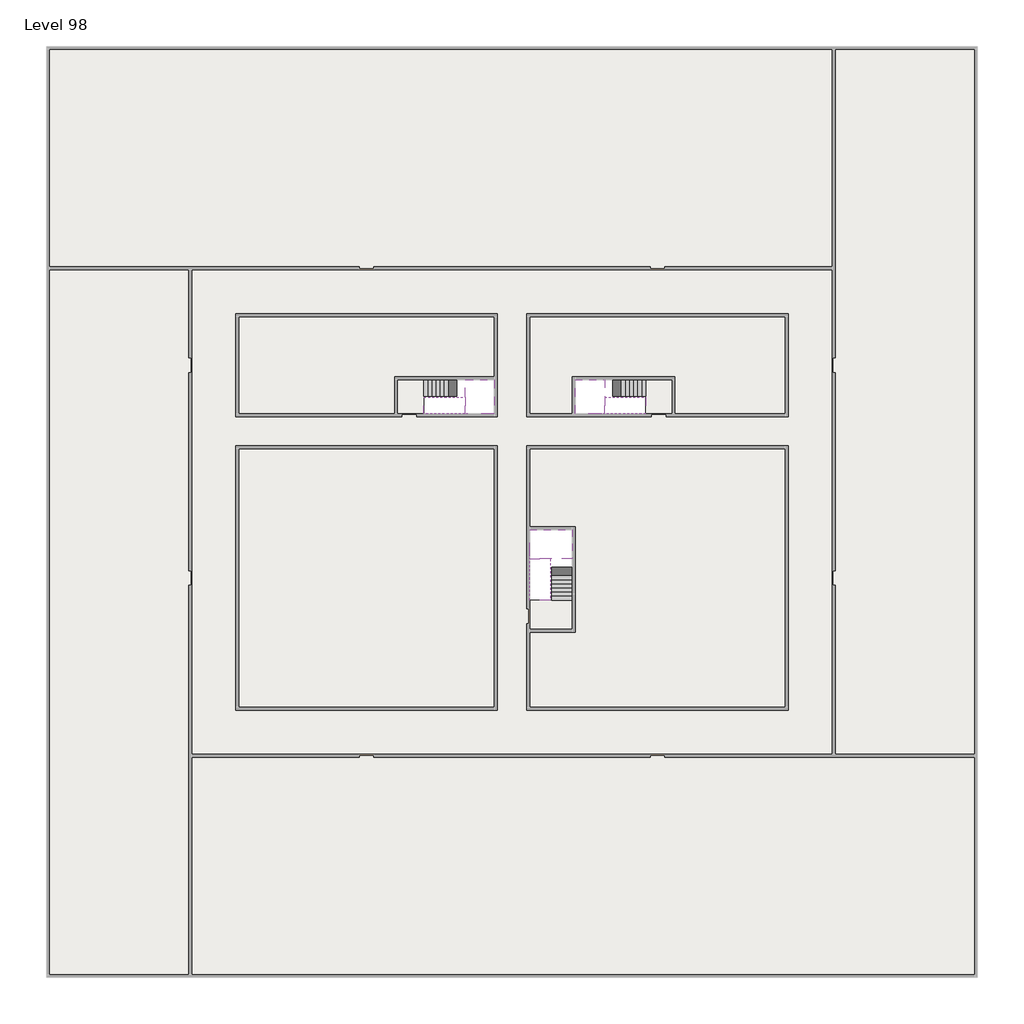
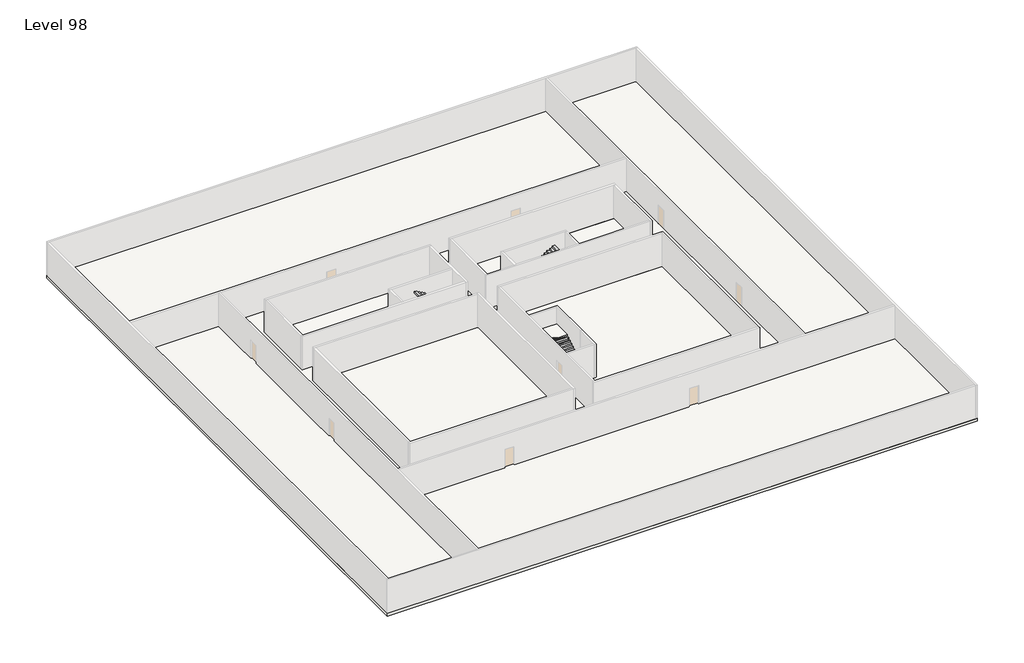
# One storey, part 2 of 2: 6 slabs, 6 stair flights.
"""IFC4 building model written with IfcOpenShell, lengths in millimetres."""

from ifc_helpers import new_model, si_unit, frame, origin, place, context, project, spatial, polyline, outline, extrude, faceted_brep, element, save

model = new_model("IFC4")

# Units and contexts
model_context = context("Model", 3, world=origin())
ifc_project = project(units=[si_unit("LENGTHUNIT", "METRE", prefix="MILLI")], contexts=[model_context])

# Site, building, storey
site = spatial("IfcSite", under=ifc_project)
building = spatial("IfcBuilding", under=site)
storey = spatial("IfcBuildingStorey", under=building, Name="Level 98", Elevation=368600.0)

# Slabs
placement = place(None, origin())
element("IfcSlab", 1, at=placement, inside=storey, context=model_context, shape_type="SweptSolid", body=[
    extrude(outline(polyline([(55890.1058784, -5518.09644), (55890.1058784, -68918.09644), (-7509.8941216, -68918.09644), (-7509.8941216, -5518.09644), (55890.1058784, -5518.09644)]), holes=[polyline([(22990.1058784, -23918.09644), (5590.1058784, -23918.09644), (5590.1058784, -30518.09644), (22990.1058784, -30518.09644), (22990.1058784, -23918.09644)]), polyline([(42990.1058784, -23918.09644), (25390.1058784, -23918.09644), (25390.1058784, -30518.09644), (42990.1058784, -30518.09644), (42990.1058784, -23918.09644)]), polyline([(25390.1058784, -50518.09644), (42790.1058784, -50518.09644), (42790.1058784, -32918.09644), (25390.1058784, -32918.09644), (25390.1058784, -50518.09644)]), polyline([(22990.1058784, -32918.09644), (5590.1058784, -32918.09644), (5590.1058784, -50518.09644), (22990.1058784, -50518.09644), (22990.1058784, -32918.09644)])]), frame((0.0, 0.0, 368300.0), z_axis=(0.0, 0.0, 1.0), x_axis=(1.0, 0.0, 0.0)), (0.0, 0.0, 1.0), 300.0),
])
element("IfcSlab", 2, at=placement, inside=storey, context=model_context, shape_type="SweptSolid", body=[
    extrude(outline(polyline([(22990.1058784, -23918.09644), (22990.1058784, -28018.09644), (16190.1058784, -28018.09644), (16190.1058784, -30518.09644), (5590.1058784, -30518.09644), (5590.1058784, -23918.09644), (22990.1058784, -23918.09644)])), frame((0.0, 0.0, 368300.0), z_axis=(0.0, 0.0, 1.0), x_axis=(1.0, 0.0, 0.0)), (0.0, 0.0, 1.0), 300.0),
    extrude(outline(polyline([(42790.1058784, -23918.09644), (42790.1058784, -30518.09644), (35290.1058784, -30518.09644), (35290.1058784, -28018.09644), (28490.1058784, -28018.09644), (28490.1058784, -30518.09644), (25390.1058784, -30518.09644), (25390.1058784, -23918.09644), (42790.1058784, -23918.09644)])), frame((0.0, 0.0, 368300.0), z_axis=(0.0, 0.0, 1.0), x_axis=(1.0, 0.0, 0.0)), (0.0, 0.0, 1.0), 300.0),
    extrude(outline(polyline([(22990.1058784, -32918.09644), (22990.1058784, -50518.09644), (5590.1058784, -50518.09644), (5590.1058784, -32918.09644), (22990.1058784, -32918.09644)])), frame((0.0, 0.0, 368300.0), z_axis=(0.0, 0.0, 1.0), x_axis=(1.0, 0.0, 0.0)), (0.0, 0.0, 1.0), 300.0),
    extrude(outline(polyline([(25390.1058784, -38218.09644), (25390.1058784, -32918.09644), (42790.1058784, -32918.09644), (42790.1058784, -50518.09644), (25390.1058784, -50518.09644), (25390.1058784, -45418.09644), (28490.1058784, -45418.09644), (28490.1058784, -38218.09644), (25390.1058784, -38218.09644)])), frame((0.0, 0.0, 368300.0), z_axis=(0.0, 0.0, 1.0), x_axis=(1.0, 0.0, 0.0)), (0.0, 0.0, 1.0), 300.0),
])
element("IfcSlab", 3, at=placement, inside=storey, context=model_context, shape_type="Brep", body=[
    faceted_brep([(26890.1058784, -40418.09644, 370500.0), (28290.1058784, -40418.09644, 370500.0), (28290.1058784, -40338.7100038, 370500.0), (28290.1058784, -38418.09644, 370500.0), (25390.1058784, -38418.09644, 370500.0), (25390.1058784, -40217.4828763, 370500.0), (25390.1058784, -40418.09644, 370500.0), (26790.1058784, -40418.09644, 370500.0), (26890.1058784, -40418.09644, 370200.0), (26890.1058784, -40418.09644, 370151.0278478), (28290.1058784, -40418.09644, 370151.0278478), (28290.1058784, -40418.09644, 370327.2727273), (28290.1058784, -40338.7100038, 370200.0), (28290.1058784, -38418.09644, 370200.0), (25390.1058784, -38418.09644, 370200.0), (25390.1058784, -40217.4828763, 370200.0), (25390.1058784, -40418.09644, 370323.7551205), (26790.1058784, -40418.09644, 370323.7551205), (26790.1058784, -40418.09644, 370200.0), (26790.1058784, -40217.4828763, 370200.0), (26890.1058784, -40338.7100038, 370200.0)], [[[0, 1, 2, 3, 4, 5, 6, 7]], [[1, 0, 8, 9, 10, 11]], [[1, 11, 10, 12, 13, 3, 2]], [[4, 3, 13, 14]], [[4, 14, 15, 16, 6, 5]], [[7, 6, 16, 17]], [[0, 7, 17, 18, 8]], [[18, 19, 15, 14, 13, 12, 20, 8]], [[19, 18, 17]], [[20, 12, 10, 9]], [[8, 20, 9]], [[15, 19, 17, 16]]]),
])
element("IfcSlab", 4, at=placement, inside=storey, context=model_context, shape_type="Brep", body=[
    faceted_brep([(20990.1058784, -28218.09644, 370500.0), (20990.1058784, -29318.09644, 370500.0), (20990.1058784, -29418.09644, 370500.0), (20990.1058784, -30518.09644, 370500.0), (21190.7194421, -30518.09644, 370500.0), (22990.1058784, -30518.09644, 370500.0), (22990.1058784, -28218.09644, 370500.0), (21069.4923146, -28218.09644, 370500.0), (20990.1058784, -28218.09644, 370327.2727273), (20990.1058784, -28218.09644, 370151.0278478), (20990.1058784, -29318.09644, 370151.0278478), (20990.1058784, -29318.09644, 370200.0), (20990.1058784, -29418.09644, 370200.0), (20990.1058784, -29418.09644, 370323.7551205), (20990.1058784, -30518.09644, 370323.7551205), (21190.7194421, -30518.09644, 370200.0), (22990.1058784, -30518.09644, 370200.0), (22990.1058784, -28218.09644, 370200.0), (21069.4923146, -28218.09644, 370200.0), (21190.7194421, -29418.09644, 370200.0), (21069.4923146, -29318.09644, 370200.0)], [[[0, 1, 2, 3, 4, 5, 6, 7]], [[1, 0, 8, 9, 10, 11]], [[2, 1, 11, 12, 13]], [[3, 2, 13, 14]], [[3, 14, 15, 16, 5, 4]], [[6, 5, 16, 17]], [[9, 8, 0, 7, 6, 17, 18]], [[19, 12, 11, 20, 18, 17, 16, 15]], [[12, 19, 13]], [[18, 20, 10, 9]], [[20, 11, 10]], [[19, 15, 14, 13]]]),
])
element("IfcSlab", 5, at=placement, inside=storey, context=model_context, shape_type="Brep", body=[
    faceted_brep([(30490.1058784, -29318.09644, 370500.0), (30490.1058784, -28218.09644, 370500.0), (30410.7194421, -28218.09644, 370500.0), (28490.1058784, -28218.09644, 370500.0), (28490.1058784, -30518.09644, 370500.0), (30289.4923146, -30518.09644, 370500.0), (30490.1058784, -30518.09644, 370500.0), (30490.1058784, -29418.09644, 370500.0), (30490.1058784, -29318.09644, 370200.0), (30490.1058784, -29318.09644, 370151.0278478), (30490.1058784, -28218.09644, 370151.0278478), (30490.1058784, -28218.09644, 370327.2727273), (30490.1058784, -29418.09644, 370323.7551205), (30490.1058784, -29418.09644, 370200.0), (30490.1058784, -30518.09644, 370323.7551205), (28490.1058784, -30518.09644, 370200.0), (30289.4923146, -30518.09644, 370200.0), (28490.1058784, -28218.09644, 370200.0), (30410.7194421, -28218.09644, 370200.0), (30289.4923146, -29418.09644, 370200.0), (30410.7194421, -29318.09644, 370200.0)], [[[0, 1, 2, 3, 4, 5, 6, 7]], [[1, 0, 8, 9, 10, 11]], [[0, 7, 12, 13, 8]], [[7, 6, 14, 12]], [[4, 15, 16, 14, 6, 5]], [[4, 3, 17, 15]], [[1, 11, 10, 18, 17, 3, 2]], [[13, 19, 16, 15, 17, 18, 20, 8]], [[20, 18, 10, 9]], [[8, 20, 9]], [[16, 19, 12, 14]], [[19, 13, 12]]]),
])
element("IfcSlab", 6, at=placement, inside=storey, context=model_context, shape_type="SweptSolid", body=[
    extrude(outline(polyline([(35090.1058784, -28218.09644), (35090.1058784, -30518.09644), (33290.1058784, -30518.09644), (33290.1058784, -28218.09644), (35090.1058784, -28218.09644)])), frame((0.0, 0.0, 368300.0), z_axis=(0.0, 0.0, 1.0), x_axis=(1.0, 0.0, 0.0)), (0.0, 0.0, 1.0), 300.0),
    extrude(outline(polyline([(18190.1058784, -28218.09644), (18190.1058784, -30518.09644), (16390.1058784, -30518.09644), (16390.1058784, -28218.09644), (18190.1058784, -28218.09644)])), frame((0.0, 0.0, 368300.0), z_axis=(0.0, 0.0, 1.0), x_axis=(1.0, 0.0, 0.0)), (0.0, 0.0, 1.0), 300.0),
    extrude(outline(polyline([(28290.1058784, -43218.09644), (28290.1058784, -45218.09644), (25390.1058784, -45218.09644), (25390.1058784, -43218.09644), (28290.1058784, -43218.09644)])), frame((0.0, 0.0, 368300.0), z_axis=(0.0, 0.0, 1.0), x_axis=(1.0, 0.0, 0.0)), (0.0, 0.0, 1.0), 300.0),
])

# Stair flights
element("IfcStairFlight", 7, at=placement, inside=storey, context=model_context, shape_type="Brep", body=[
    faceted_brep([(26890.1058784, -42938.09644, 368772.7272727), (26890.1058784, -43218.09644, 368772.7272727), (28290.1058784, -43218.09644, 368772.7272727), (28290.1058784, -42938.09644, 368772.7272727), (26890.1058784, -42938.09644, 368600.0), (26890.1058784, -43218.09644, 368600.0), (28290.1058784, -43218.09644, 368600.0), (28290.1058784, -42938.09644, 368600.0), (26890.1058784, -42658.09644, 368945.4545455), (26890.1058784, -42938.09644, 368945.4545455), (28290.1058784, -42938.09644, 368945.4545455), (28290.1058784, -42658.09644, 368945.4545455), (26890.1058784, -42658.09644, 368769.209666), (26890.1058784, -42932.3942143, 368600.0), (28290.1058784, -42932.3942143, 368600.0), (28290.1058784, -42658.09644, 368769.209666), (26890.1058784, -42378.09644, 369118.1818182), (26890.1058784, -42658.09644, 369118.1818182), (28290.1058784, -42658.09644, 369118.1818182), (28290.1058784, -42378.09644, 369118.1818182), (26890.1058784, -42378.09644, 368941.9369387), (28290.1058784, -42378.09644, 368941.9369387), (26890.1058784, -42098.09644, 369290.9090909), (26890.1058784, -42378.09644, 369290.9090909), (28290.1058784, -42378.09644, 369290.9090909), (28290.1058784, -42098.09644, 369290.9090909), (26890.1058784, -42098.09644, 369114.6642114), (28290.1058784, -42098.09644, 369114.6642114), (26890.1058784, -41818.09644, 369463.6363636), (26890.1058784, -42098.09644, 369463.6363636), (28290.1058784, -42098.09644, 369463.6363636), (28290.1058784, -41818.09644, 369463.6363636), (26890.1058784, -41818.09644, 369287.3914841), (28290.1058784, -41818.09644, 369287.3914841), (26890.1058784, -41538.09644, 369636.3636364), (26890.1058784, -41818.09644, 369636.3636364), (28290.1058784, -41818.09644, 369636.3636364), (28290.1058784, -41538.09644, 369636.3636364), (26890.1058784, -41538.09644, 369460.1187569), (28290.1058784, -41538.09644, 369460.1187569), (26890.1058784, -41258.09644, 369809.0909091), (26890.1058784, -41538.09644, 369809.0909091), (28290.1058784, -41538.09644, 369809.0909091), (28290.1058784, -41258.09644, 369809.0909091), (26890.1058784, -41258.09644, 369632.8460296), (28290.1058784, -41258.09644, 369632.8460296), (26890.1058784, -40978.09644, 369981.8181818), (26890.1058784, -41258.09644, 369981.8181818), (28290.1058784, -41258.09644, 369981.8181818), (28290.1058784, -40978.09644, 369981.8181818), (26890.1058784, -40978.09644, 369805.5733023), (28290.1058784, -40978.09644, 369805.5733023), (26890.1058784, -40698.09644, 370154.5454545), (26890.1058784, -40978.09644, 370154.5454545), (28290.1058784, -40978.09644, 370154.5454545), (28290.1058784, -40698.09644, 370154.5454545), (26890.1058784, -40698.09644, 369978.3005751), (28290.1058784, -40698.09644, 369978.3005751), (26890.1058784, -40418.09644, 370327.2727273), (26890.1058784, -40698.09644, 370327.2727273), (28290.1058784, -40698.09644, 370327.2727273), (28290.1058784, -40418.09644, 370327.2727273), (26890.1058784, -40418.09644, 370200.0), (26890.1058784, -40418.09644, 370151.0278478), (28290.1058784, -40418.09644, 370151.0278478)], [[[0, 1, 2, 3]], [[1, 0, 4, 5]], [[2, 1, 5, 6]], [[3, 2, 6, 7]], [[8, 9, 10, 11]], [[4, 0, 9, 8, 12, 13]], [[0, 3, 10, 9]], [[3, 7, 14, 15, 11, 10]], [[16, 17, 18, 19]], [[17, 16, 20, 12, 8]], [[8, 11, 18, 17]], [[19, 18, 11, 15, 21]], [[22, 23, 24, 25]], [[23, 22, 26, 20, 16]], [[16, 19, 24, 23]], [[25, 24, 19, 21, 27]], [[28, 29, 30, 31]], [[29, 28, 32, 26, 22]], [[22, 25, 30, 29]], [[31, 30, 25, 27, 33]], [[34, 35, 36, 37]], [[35, 34, 38, 32, 28]], [[28, 31, 36, 35]], [[37, 36, 31, 33, 39]], [[40, 41, 42, 43]], [[41, 40, 44, 38, 34]], [[34, 37, 42, 41]], [[43, 42, 37, 39, 45]], [[46, 47, 48, 49]], [[47, 46, 50, 44, 40]], [[40, 43, 48, 47]], [[49, 48, 43, 45, 51]], [[52, 53, 54, 55]], [[53, 52, 56, 50, 46]], [[46, 49, 54, 53]], [[55, 54, 49, 51, 57]], [[58, 59, 60, 61]], [[59, 58, 62, 63, 56, 52]], [[52, 55, 60, 59]], [[61, 60, 55, 57, 64]], [[58, 61, 64, 63, 62]], [[5, 4, 13, 14, 7, 6]], [[14, 13, 12, 20, 26, 32, 38, 44, 50, 56, 63, 64, 57, 51, 45, 39, 33, 27, 21, 15]]]),
])
element("IfcStairFlight", 8, at=placement, inside=storey, context=model_context, shape_type="Brep", body=[
    faceted_brep([(26790.1058784, -40698.09644, 370672.7272727), (26790.1058784, -40418.09644, 370672.7272727), (25390.1058784, -40418.09644, 370672.7272727), (25390.1058784, -40698.09644, 370672.7272727), (26790.1058784, -40698.09644, 370496.4823932), (26790.1058784, -40418.09644, 370323.7551205), (25390.1058784, -40418.09644, 370323.7551205), (25390.1058784, -40418.09644, 370500.0), (25390.1058784, -40698.09644, 370496.4823932), (26790.1058784, -40978.09644, 370845.4545455), (26790.1058784, -40698.09644, 370845.4545455), (25390.1058784, -40698.09644, 370845.4545455), (25390.1058784, -40978.09644, 370845.4545455), (26790.1058784, -40978.09644, 370669.209666), (25390.1058784, -40978.09644, 370669.209666), (26790.1058784, -41258.09644, 371018.1818182), (26790.1058784, -40978.09644, 371018.1818182), (25390.1058784, -40978.09644, 371018.1818182), (25390.1058784, -41258.09644, 371018.1818182), (26790.1058784, -41258.09644, 370841.9369387), (25390.1058784, -41258.09644, 370841.9369387), (26790.1058784, -41538.09644, 371190.9090909), (26790.1058784, -41258.09644, 371190.9090909), (25390.1058784, -41258.09644, 371190.9090909), (25390.1058784, -41538.09644, 371190.9090909), (26790.1058784, -41538.09644, 371014.6642114), (25390.1058784, -41538.09644, 371014.6642114), (26790.1058784, -41818.09644, 371363.6363636), (26790.1058784, -41538.09644, 371363.6363636), (25390.1058784, -41538.09644, 371363.6363636), (25390.1058784, -41818.09644, 371363.6363636), (26790.1058784, -41818.09644, 371187.3914841), (25390.1058784, -41818.09644, 371187.3914841), (26790.1058784, -42098.09644, 371536.3636364), (26790.1058784, -41818.09644, 371536.3636364), (25390.1058784, -41818.09644, 371536.3636364), (25390.1058784, -42098.09644, 371536.3636364), (26790.1058784, -42098.09644, 371360.1187569), (25390.1058784, -42098.09644, 371360.1187569), (26790.1058784, -42378.09644, 371709.0909091), (26790.1058784, -42098.09644, 371709.0909091), (25390.1058784, -42098.09644, 371709.0909091), (25390.1058784, -42378.09644, 371709.0909091), (26790.1058784, -42378.09644, 371532.8460296), (25390.1058784, -42378.09644, 371532.8460296), (26790.1058784, -42658.09644, 371881.8181818), (26790.1058784, -42378.09644, 371881.8181818), (25390.1058784, -42378.09644, 371881.8181818), (25390.1058784, -42658.09644, 371881.8181818), (26790.1058784, -42658.09644, 371705.5733023), (25390.1058784, -42658.09644, 371705.5733023), (26790.1058784, -42938.09644, 372054.5454545), (26790.1058784, -42658.09644, 372054.5454545), (25390.1058784, -42658.09644, 372054.5454545), (25390.1058784, -42938.09644, 372054.5454545), (26790.1058784, -42938.09644, 371878.3005751), (25390.1058784, -42938.09644, 371878.3005751), (26790.1058784, -43218.09644, 372227.2727273), (26790.1058784, -42938.09644, 372227.2727273), (25390.1058784, -42938.09644, 372227.2727273), (25390.1058784, -43218.09644, 372227.2727273), (26790.1058784, -43218.09644, 372051.0278478), (25390.1058784, -43218.09644, 372051.0278478)], [[[0, 1, 2, 3]], [[1, 0, 4, 5]], [[2, 1, 5, 6, 7]], [[3, 2, 7, 6, 8]], [[9, 10, 11, 12]], [[10, 9, 13, 4, 0]], [[11, 10, 0, 3]], [[12, 11, 3, 8, 14]], [[15, 16, 17, 18]], [[16, 15, 19, 13, 9]], [[17, 16, 9, 12]], [[18, 17, 12, 14, 20]], [[21, 22, 23, 24]], [[22, 21, 25, 19, 15]], [[23, 22, 15, 18]], [[24, 23, 18, 20, 26]], [[27, 28, 29, 30]], [[28, 27, 31, 25, 21]], [[29, 28, 21, 24]], [[30, 29, 24, 26, 32]], [[33, 34, 35, 36]], [[34, 33, 37, 31, 27]], [[35, 34, 27, 30]], [[36, 35, 30, 32, 38]], [[39, 40, 41, 42]], [[40, 39, 43, 37, 33]], [[41, 40, 33, 36]], [[42, 41, 36, 38, 44]], [[45, 46, 47, 48]], [[46, 45, 49, 43, 39]], [[47, 46, 39, 42]], [[48, 47, 42, 44, 50]], [[51, 52, 53, 54]], [[52, 51, 55, 49, 45]], [[53, 52, 45, 48]], [[54, 53, 48, 50, 56]], [[57, 58, 59, 60]], [[58, 57, 61, 55, 51]], [[59, 58, 51, 54]], [[60, 59, 54, 56, 62]], [[57, 60, 62, 61]], [[5, 4, 13, 19, 25, 31, 37, 43, 49, 55, 61, 62, 56, 50, 44, 38, 32, 26, 20, 14, 8, 6]]]),
])
element("IfcStairFlight", 9, at=placement, inside=storey, context=model_context, shape_type="Brep", body=[
    faceted_brep([(18470.1058784, -28218.09644, 368772.7272727), (18190.1058784, -28218.09644, 368772.7272727), (18190.1058784, -29318.09644, 368772.7272727), (18470.1058784, -29318.09644, 368772.7272727), (18470.1058784, -28218.09644, 368600.0), (18190.1058784, -28218.09644, 368600.0), (18190.1058784, -29318.09644, 368600.0), (18470.1058784, -29318.09644, 368600.0), (18750.1058784, -28218.09644, 368945.4545455), (18470.1058784, -28218.09644, 368945.4545455), (18470.1058784, -29318.09644, 368945.4545455), (18750.1058784, -29318.09644, 368945.4545455), (18750.1058784, -28218.09644, 368769.209666), (18475.8081041, -28218.09644, 368600.0), (18475.8081041, -29318.09644, 368600.0), (18750.1058784, -29318.09644, 368769.209666), (19030.1058784, -28218.09644, 369118.1818182), (18750.1058784, -28218.09644, 369118.1818182), (18750.1058784, -29318.09644, 369118.1818182), (19030.1058784, -29318.09644, 369118.1818182), (19030.1058784, -28218.09644, 368941.9369387), (19030.1058784, -29318.09644, 368941.9369387), (19310.1058784, -28218.09644, 369290.9090909), (19030.1058784, -28218.09644, 369290.9090909), (19030.1058784, -29318.09644, 369290.9090909), (19310.1058784, -29318.09644, 369290.9090909), (19310.1058784, -28218.09644, 369114.6642114), (19310.1058784, -29318.09644, 369114.6642114), (19590.1058784, -28218.09644, 369463.6363636), (19310.1058784, -28218.09644, 369463.6363636), (19310.1058784, -29318.09644, 369463.6363636), (19590.1058784, -29318.09644, 369463.6363636), (19590.1058784, -28218.09644, 369287.3914841), (19590.1058784, -29318.09644, 369287.3914841), (19870.1058784, -28218.09644, 369636.3636364), (19590.1058784, -28218.09644, 369636.3636364), (19590.1058784, -29318.09644, 369636.3636364), (19870.1058784, -29318.09644, 369636.3636364), (19870.1058784, -28218.09644, 369460.1187569), (19870.1058784, -29318.09644, 369460.1187569), (20150.1058784, -28218.09644, 369809.0909091), (19870.1058784, -28218.09644, 369809.0909091), (19870.1058784, -29318.09644, 369809.0909091), (20150.1058784, -29318.09644, 369809.0909091), (20150.1058784, -28218.09644, 369632.8460296), (20150.1058784, -29318.09644, 369632.8460296), (20430.1058784, -28218.09644, 369981.8181818), (20150.1058784, -28218.09644, 369981.8181818), (20150.1058784, -29318.09644, 369981.8181818), (20430.1058784, -29318.09644, 369981.8181818), (20430.1058784, -28218.09644, 369805.5733023), (20430.1058784, -29318.09644, 369805.5733023), (20710.1058784, -28218.09644, 370154.5454545), (20430.1058784, -28218.09644, 370154.5454545), (20430.1058784, -29318.09644, 370154.5454545), (20710.1058784, -29318.09644, 370154.5454545), (20710.1058784, -28218.09644, 369978.3005751), (20710.1058784, -29318.09644, 369978.3005751), (20990.1058784, -28218.09644, 370327.2727273), (20710.1058784, -28218.09644, 370327.2727273), (20710.1058784, -29318.09644, 370327.2727273), (20990.1058784, -29318.09644, 370327.2727273), (20990.1058784, -28218.09644, 370151.0278478), (20990.1058784, -29318.09644, 370151.0278478), (20990.1058784, -29318.09644, 370200.0)], [[[0, 1, 2, 3]], [[1, 0, 4, 5]], [[2, 1, 5, 6]], [[3, 2, 6, 7]], [[8, 9, 10, 11]], [[4, 0, 9, 8, 12, 13]], [[0, 3, 10, 9]], [[3, 7, 14, 15, 11, 10]], [[16, 17, 18, 19]], [[17, 16, 20, 12, 8]], [[8, 11, 18, 17]], [[19, 18, 11, 15, 21]], [[22, 23, 24, 25]], [[23, 22, 26, 20, 16]], [[16, 19, 24, 23]], [[25, 24, 19, 21, 27]], [[28, 29, 30, 31]], [[29, 28, 32, 26, 22]], [[22, 25, 30, 29]], [[31, 30, 25, 27, 33]], [[34, 35, 36, 37]], [[35, 34, 38, 32, 28]], [[28, 31, 36, 35]], [[37, 36, 31, 33, 39]], [[40, 41, 42, 43]], [[41, 40, 44, 38, 34]], [[34, 37, 42, 41]], [[43, 42, 37, 39, 45]], [[46, 47, 48, 49]], [[47, 46, 50, 44, 40]], [[40, 43, 48, 47]], [[49, 48, 43, 45, 51]], [[52, 53, 54, 55]], [[53, 52, 56, 50, 46]], [[46, 49, 54, 53]], [[55, 54, 49, 51, 57]], [[58, 59, 60, 61]], [[59, 58, 62, 56, 52]], [[52, 55, 60, 59]], [[61, 60, 55, 57, 63, 64]], [[58, 61, 64, 63, 62]], [[5, 4, 13, 14, 7, 6]], [[14, 13, 12, 20, 26, 32, 38, 44, 50, 56, 62, 63, 57, 51, 45, 39, 33, 27, 21, 15]]]),
])
element("IfcStairFlight", 10, at=placement, inside=storey, context=model_context, shape_type="Brep", body=[
    faceted_brep([(20710.1058784, -30518.09644, 370672.7272727), (20990.1058784, -30518.09644, 370672.7272727), (20990.1058784, -29418.09644, 370672.7272727), (20710.1058784, -29418.09644, 370672.7272727), (20710.1058784, -30518.09644, 370496.4823932), (20990.1058784, -30518.09644, 370323.7551205), (20990.1058784, -30518.09644, 370500.0), (20990.1058784, -29418.09644, 370323.7551205), (20710.1058784, -29418.09644, 370496.4823932), (20430.1058784, -30518.09644, 370845.4545455), (20710.1058784, -30518.09644, 370845.4545455), (20710.1058784, -29418.09644, 370845.4545455), (20430.1058784, -29418.09644, 370845.4545455), (20430.1058784, -30518.09644, 370669.209666), (20430.1058784, -29418.09644, 370669.209666), (20150.1058784, -30518.09644, 371018.1818182), (20430.1058784, -30518.09644, 371018.1818182), (20430.1058784, -29418.09644, 371018.1818182), (20150.1058784, -29418.09644, 371018.1818182), (20150.1058784, -30518.09644, 370841.9369387), (20150.1058784, -29418.09644, 370841.9369387), (19870.1058784, -30518.09644, 371190.9090909), (20150.1058784, -30518.09644, 371190.9090909), (20150.1058784, -29418.09644, 371190.9090909), (19870.1058784, -29418.09644, 371190.9090909), (19870.1058784, -30518.09644, 371014.6642114), (19870.1058784, -29418.09644, 371014.6642114), (19590.1058784, -30518.09644, 371363.6363636), (19870.1058784, -30518.09644, 371363.6363636), (19870.1058784, -29418.09644, 371363.6363636), (19590.1058784, -29418.09644, 371363.6363636), (19590.1058784, -30518.09644, 371187.3914841), (19590.1058784, -29418.09644, 371187.3914841), (19310.1058784, -30518.09644, 371536.3636364), (19590.1058784, -30518.09644, 371536.3636364), (19590.1058784, -29418.09644, 371536.3636364), (19310.1058784, -29418.09644, 371536.3636364), (19310.1058784, -30518.09644, 371360.1187569), (19310.1058784, -29418.09644, 371360.1187569), (19030.1058784, -30518.09644, 371709.0909091), (19310.1058784, -30518.09644, 371709.0909091), (19310.1058784, -29418.09644, 371709.0909091), (19030.1058784, -29418.09644, 371709.0909091), (19030.1058784, -30518.09644, 371532.8460296), (19030.1058784, -29418.09644, 371532.8460296), (18750.1058784, -30518.09644, 371881.8181818), (19030.1058784, -30518.09644, 371881.8181818), (19030.1058784, -29418.09644, 371881.8181818), (18750.1058784, -29418.09644, 371881.8181818), (18750.1058784, -30518.09644, 371705.5733023), (18750.1058784, -29418.09644, 371705.5733023), (18470.1058784, -30518.09644, 372054.5454545), (18750.1058784, -30518.09644, 372054.5454545), (18750.1058784, -29418.09644, 372054.5454545), (18470.1058784, -29418.09644, 372054.5454545), (18470.1058784, -30518.09644, 371878.3005751), (18470.1058784, -29418.09644, 371878.3005751), (18190.1058784, -30518.09644, 372227.2727273), (18470.1058784, -30518.09644, 372227.2727273), (18470.1058784, -29418.09644, 372227.2727273), (18190.1058784, -29418.09644, 372227.2727273), (18190.1058784, -30518.09644, 372051.0278478), (18190.1058784, -29418.09644, 372051.0278478)], [[[0, 1, 2, 3]], [[1, 0, 4, 5, 6]], [[2, 1, 6, 5, 7]], [[3, 2, 7, 8]], [[9, 10, 11, 12]], [[10, 9, 13, 4, 0]], [[11, 10, 0, 3]], [[12, 11, 3, 8, 14]], [[15, 16, 17, 18]], [[16, 15, 19, 13, 9]], [[17, 16, 9, 12]], [[18, 17, 12, 14, 20]], [[21, 22, 23, 24]], [[22, 21, 25, 19, 15]], [[23, 22, 15, 18]], [[24, 23, 18, 20, 26]], [[27, 28, 29, 30]], [[28, 27, 31, 25, 21]], [[29, 28, 21, 24]], [[30, 29, 24, 26, 32]], [[33, 34, 35, 36]], [[34, 33, 37, 31, 27]], [[35, 34, 27, 30]], [[36, 35, 30, 32, 38]], [[39, 40, 41, 42]], [[40, 39, 43, 37, 33]], [[41, 40, 33, 36]], [[42, 41, 36, 38, 44]], [[45, 46, 47, 48]], [[46, 45, 49, 43, 39]], [[47, 46, 39, 42]], [[48, 47, 42, 44, 50]], [[51, 52, 53, 54]], [[52, 51, 55, 49, 45]], [[53, 52, 45, 48]], [[54, 53, 48, 50, 56]], [[57, 58, 59, 60]], [[58, 57, 61, 55, 51]], [[59, 58, 51, 54]], [[60, 59, 54, 56, 62]], [[57, 60, 62, 61]], [[5, 4, 13, 19, 25, 31, 37, 43, 49, 55, 61, 62, 56, 50, 44, 38, 32, 26, 20, 14, 8, 7]]]),
])
element("IfcStairFlight", 11, at=placement, inside=storey, context=model_context, shape_type="Brep", body=[
    faceted_brep([(33010.1058784, -29318.09644, 368772.7272727), (33290.1058784, -29318.09644, 368772.7272727), (33290.1058784, -28218.09644, 368772.7272727), (33010.1058784, -28218.09644, 368772.7272727), (33290.1058784, -28218.09644, 368600.0), (33010.1058784, -28218.09644, 368600.0), (33290.1058784, -29318.09644, 368600.0), (33010.1058784, -29318.09644, 368600.0), (32730.1058784, -29318.09644, 368945.4545455), (33010.1058784, -29318.09644, 368945.4545455), (33010.1058784, -28218.09644, 368945.4545455), (32730.1058784, -28218.09644, 368945.4545455), (33004.4036527, -28218.09644, 368600.0), (32730.1058784, -28218.09644, 368769.209666), (32730.1058784, -29318.09644, 368769.209666), (33004.4036527, -29318.09644, 368600.0), (32450.1058784, -29318.09644, 369118.1818182), (32730.1058784, -29318.09644, 369118.1818182), (32730.1058784, -28218.09644, 369118.1818182), (32450.1058784, -28218.09644, 369118.1818182), (32450.1058784, -28218.09644, 368941.9369387), (32450.1058784, -29318.09644, 368941.9369387), (32170.1058784, -29318.09644, 369290.9090909), (32450.1058784, -29318.09644, 369290.9090909), (32450.1058784, -28218.09644, 369290.9090909), (32170.1058784, -28218.09644, 369290.9090909), (32170.1058784, -28218.09644, 369114.6642114), (32170.1058784, -29318.09644, 369114.6642114), (31890.1058784, -29318.09644, 369463.6363636), (32170.1058784, -29318.09644, 369463.6363636), (32170.1058784, -28218.09644, 369463.6363636), (31890.1058784, -28218.09644, 369463.6363636), (31890.1058784, -28218.09644, 369287.3914841), (31890.1058784, -29318.09644, 369287.3914841), (31610.1058784, -29318.09644, 369636.3636364), (31890.1058784, -29318.09644, 369636.3636364), (31890.1058784, -28218.09644, 369636.3636364), (31610.1058784, -28218.09644, 369636.3636364), (31610.1058784, -28218.09644, 369460.1187569), (31610.1058784, -29318.09644, 369460.1187569), (31330.1058784, -29318.09644, 369809.0909091), (31610.1058784, -29318.09644, 369809.0909091), (31610.1058784, -28218.09644, 369809.0909091), (31330.1058784, -28218.09644, 369809.0909091), (31330.1058784, -28218.09644, 369632.8460296), (31330.1058784, -29318.09644, 369632.8460296), (31050.1058784, -29318.09644, 369981.8181818), (31330.1058784, -29318.09644, 369981.8181818), (31330.1058784, -28218.09644, 369981.8181818), (31050.1058784, -28218.09644, 369981.8181818), (31050.1058784, -28218.09644, 369805.5733023), (31050.1058784, -29318.09644, 369805.5733023), (30770.1058784, -29318.09644, 370154.5454545), (31050.1058784, -29318.09644, 370154.5454545), (31050.1058784, -28218.09644, 370154.5454545), (30770.1058784, -28218.09644, 370154.5454545), (30770.1058784, -28218.09644, 369978.3005751), (30770.1058784, -29318.09644, 369978.3005751), (30490.1058784, -29318.09644, 370327.2727273), (30770.1058784, -29318.09644, 370327.2727273), (30770.1058784, -28218.09644, 370327.2727273), (30490.1058784, -28218.09644, 370327.2727273), (30490.1058784, -28218.09644, 370151.0278478), (30490.1058784, -29318.09644, 370200.0), (30490.1058784, -29318.09644, 370151.0278478)], [[[0, 1, 2, 3]], [[3, 2, 4, 5]], [[2, 1, 6, 4]], [[1, 0, 7, 6]], [[8, 9, 10, 11]], [[3, 5, 12, 13, 11, 10]], [[0, 3, 10, 9]], [[7, 0, 9, 8, 14, 15]], [[16, 17, 18, 19]], [[19, 18, 11, 13, 20]], [[8, 11, 18, 17]], [[17, 16, 21, 14, 8]], [[22, 23, 24, 25]], [[25, 24, 19, 20, 26]], [[16, 19, 24, 23]], [[23, 22, 27, 21, 16]], [[28, 29, 30, 31]], [[31, 30, 25, 26, 32]], [[22, 25, 30, 29]], [[29, 28, 33, 27, 22]], [[34, 35, 36, 37]], [[37, 36, 31, 32, 38]], [[28, 31, 36, 35]], [[35, 34, 39, 33, 28]], [[40, 41, 42, 43]], [[43, 42, 37, 38, 44]], [[34, 37, 42, 41]], [[41, 40, 45, 39, 34]], [[46, 47, 48, 49]], [[49, 48, 43, 44, 50]], [[40, 43, 48, 47]], [[47, 46, 51, 45, 40]], [[52, 53, 54, 55]], [[55, 54, 49, 50, 56]], [[46, 49, 54, 53]], [[53, 52, 57, 51, 46]], [[58, 59, 60, 61]], [[61, 60, 55, 56, 62]], [[52, 55, 60, 59]], [[59, 58, 63, 64, 57, 52]], [[58, 61, 62, 64, 63]], [[6, 7, 15, 12, 5, 4]], [[12, 15, 14, 21, 27, 33, 39, 45, 51, 57, 64, 62, 56, 50, 44, 38, 32, 26, 20, 13]]]),
])
element("IfcStairFlight", 12, at=placement, inside=storey, context=model_context, shape_type="Brep", body=[
    faceted_brep([(30770.1058784, -29418.09644, 370672.7272727), (30490.1058784, -29418.09644, 370672.7272727), (30490.1058784, -30518.09644, 370672.7272727), (30770.1058784, -30518.09644, 370672.7272727), (30490.1058784, -30518.09644, 370500.0), (30490.1058784, -30518.09644, 370323.7551205), (30770.1058784, -30518.09644, 370496.4823932), (30490.1058784, -29418.09644, 370323.7551205), (30770.1058784, -29418.09644, 370496.4823932), (31050.1058784, -29418.09644, 370845.4545455), (30770.1058784, -29418.09644, 370845.4545455), (30770.1058784, -30518.09644, 370845.4545455), (31050.1058784, -30518.09644, 370845.4545455), (31050.1058784, -30518.09644, 370669.209666), (31050.1058784, -29418.09644, 370669.209666), (31330.1058784, -29418.09644, 371018.1818182), (31050.1058784, -29418.09644, 371018.1818182), (31050.1058784, -30518.09644, 371018.1818182), (31330.1058784, -30518.09644, 371018.1818182), (31330.1058784, -30518.09644, 370841.9369387), (31330.1058784, -29418.09644, 370841.9369387), (31610.1058784, -29418.09644, 371190.9090909), (31330.1058784, -29418.09644, 371190.9090909), (31330.1058784, -30518.09644, 371190.9090909), (31610.1058784, -30518.09644, 371190.9090909), (31610.1058784, -30518.09644, 371014.6642114), (31610.1058784, -29418.09644, 371014.6642114), (31890.1058784, -29418.09644, 371363.6363636), (31610.1058784, -29418.09644, 371363.6363636), (31610.1058784, -30518.09644, 371363.6363636), (31890.1058784, -30518.09644, 371363.6363636), (31890.1058784, -30518.09644, 371187.3914841), (31890.1058784, -29418.09644, 371187.3914841), (32170.1058784, -29418.09644, 371536.3636364), (31890.1058784, -29418.09644, 371536.3636364), (31890.1058784, -30518.09644, 371536.3636364), (32170.1058784, -30518.09644, 371536.3636364), (32170.1058784, -30518.09644, 371360.1187569), (32170.1058784, -29418.09644, 371360.1187569), (32450.1058784, -29418.09644, 371709.0909091), (32170.1058784, -29418.09644, 371709.0909091), (32170.1058784, -30518.09644, 371709.0909091), (32450.1058784, -30518.09644, 371709.0909091), (32450.1058784, -30518.09644, 371532.8460296), (32450.1058784, -29418.09644, 371532.8460296), (32730.1058784, -29418.09644, 371881.8181818), (32450.1058784, -29418.09644, 371881.8181818), (32450.1058784, -30518.09644, 371881.8181818), (32730.1058784, -30518.09644, 371881.8181818), (32730.1058784, -30518.09644, 371705.5733023), (32730.1058784, -29418.09644, 371705.5733023), (33010.1058784, -29418.09644, 372054.5454545), (32730.1058784, -29418.09644, 372054.5454545), (32730.1058784, -30518.09644, 372054.5454545), (33010.1058784, -30518.09644, 372054.5454545), (33010.1058784, -30518.09644, 371878.3005751), (33010.1058784, -29418.09644, 371878.3005751), (33290.1058784, -29418.09644, 372227.2727273), (33010.1058784, -29418.09644, 372227.2727273), (33010.1058784, -30518.09644, 372227.2727273), (33290.1058784, -30518.09644, 372227.2727273), (33290.1058784, -30518.09644, 372051.0278478), (33290.1058784, -29418.09644, 372051.0278478)], [[[0, 1, 2, 3]], [[3, 2, 4, 5, 6]], [[2, 1, 7, 5, 4]], [[1, 0, 8, 7]], [[9, 10, 11, 12]], [[12, 11, 3, 6, 13]], [[11, 10, 0, 3]], [[10, 9, 14, 8, 0]], [[15, 16, 17, 18]], [[18, 17, 12, 13, 19]], [[17, 16, 9, 12]], [[16, 15, 20, 14, 9]], [[21, 22, 23, 24]], [[24, 23, 18, 19, 25]], [[23, 22, 15, 18]], [[22, 21, 26, 20, 15]], [[27, 28, 29, 30]], [[30, 29, 24, 25, 31]], [[29, 28, 21, 24]], [[28, 27, 32, 26, 21]], [[33, 34, 35, 36]], [[36, 35, 30, 31, 37]], [[35, 34, 27, 30]], [[34, 33, 38, 32, 27]], [[39, 40, 41, 42]], [[42, 41, 36, 37, 43]], [[41, 40, 33, 36]], [[40, 39, 44, 38, 33]], [[45, 46, 47, 48]], [[48, 47, 42, 43, 49]], [[47, 46, 39, 42]], [[46, 45, 50, 44, 39]], [[51, 52, 53, 54]], [[54, 53, 48, 49, 55]], [[53, 52, 45, 48]], [[52, 51, 56, 50, 45]], [[57, 58, 59, 60]], [[60, 59, 54, 55, 61]], [[59, 58, 51, 54]], [[58, 57, 62, 56, 51]], [[57, 60, 61, 62]], [[7, 8, 14, 20, 26, 32, 38, 44, 50, 56, 62, 61, 55, 49, 43, 37, 31, 25, 19, 13, 6, 5]]]),
])

save(model, "model.ifc")
